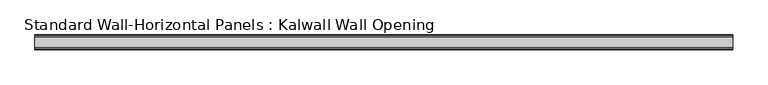
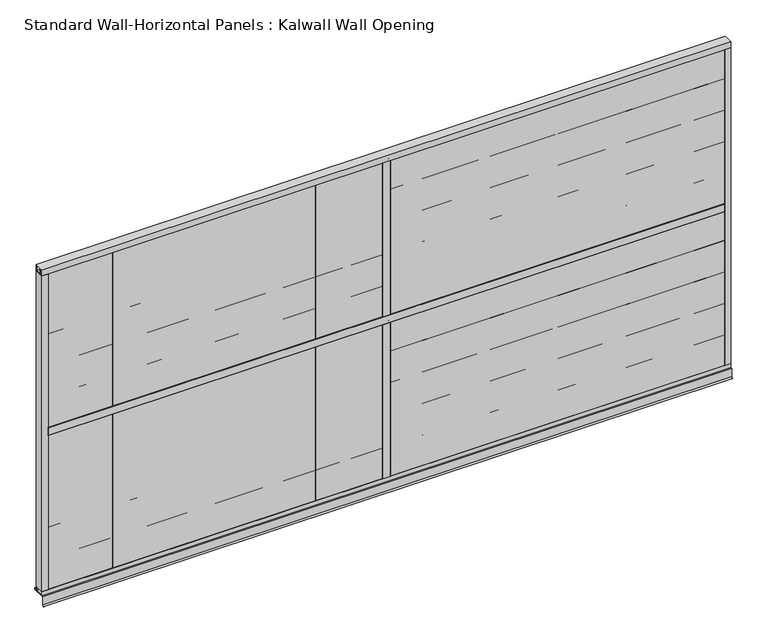
"""IFC4 building model written with IfcOpenShell, lengths in millimetres: proxy geometry, Standard Wall-Horizontal Panels : Kalwall Wall Opening."""

import ifcopenshell
import ifcopenshell.guid

model = None  # the IFC model being written
_history = None  # IfcOwnerHistory: only IFC2X3 demands one
_inside = {}  # id of a spatial element -> (the spatial element, [elements in it])
_under = {}  # id of a project, library or spatial element -> (it, [spatial elements below it])
_declared = {}  # id of a project -> (the project, [libraries it declares])
_typed = {}  # id of a type object -> (the type object, [elements of that type])
_made_of = {}  # id of a material, layer set ... -> (it, [elements and type objects made of it])


def new_model(schema):
    """Start an empty IFC model of exactly this schema.

    Asked for "IFC4X3", IfcOpenShell would pick the latest addendum, in which some entities
    have other attributes; the version numbers below select the first issue.
    IFC2X3 requires an IfcOwnerHistory on every rooted entity: one is made here for all.
    """
    global model, _history
    if schema == "IFC4X3":
        model = ifcopenshell.file(schema_version=(4, 3, 0, 0))
    else:
        model = ifcopenshell.file(schema=schema)
    _inside.clear()
    _under.clear()
    _declared.clear()
    _typed.clear()
    _made_of.clear()
    _history = None
    if model.schema == "IFC2X3":
        org = make("IfcOrganization", Name="unknown")
        user = make(
            "IfcPersonAndOrganization",
            ThePerson=make("IfcPerson", FamilyName="unknown"),
            TheOrganization=org,
        )
        app = make(
            "IfcApplication",
            ApplicationDeveloper=org,
            Version="unknown",
            ApplicationFullName="unknown",
            ApplicationIdentifier="unknown",
        )
        _history = make(
            "IfcOwnerHistory",
            OwningUser=user,
            OwningApplication=app,
            ChangeAction="ADDED",
            CreationDate=0,
        )
    return model


def make(cls, **values):
    """One entity of the class cls with the attributes given. An attribute that is None is left unset."""
    return model.create_entity(
        cls, **{name: value for name, value in values.items() if value is not None}
    )


def rooted(cls, **values):
    """An entity with a GlobalId (a new one), such as an element, a storey or a relation."""
    return make(cls, GlobalId=ifcopenshell.guid.new(), OwnerHistory=_history, **values)


def si_unit(unit_type, name, prefix=None):
    """IfcSIUnit, for example si_unit("LENGTHUNIT", "METRE", prefix="MILLI")."""
    return make("IfcSIUnit", UnitType=unit_type, Prefix=prefix, Name=name)


def assignment(units):
    """IfcUnitAssignment: the units of a project."""
    return None if units is None else make("IfcUnitAssignment", Units=units)


def point(xyz):
    """IfcCartesianPoint."""
    return None if xyz is None else make("IfcCartesianPoint", Coordinates=xyz)


def direction(xyz):
    """IfcDirection."""
    return None if xyz is None else make("IfcDirection", DirectionRatios=xyz)


def frame(location, z_axis=None, x_axis=None):
    """IfcAxis2Placement3D, a coordinate frame: its origin and axes. An axis left out is left unset."""
    return make(
        "IfcAxis2Placement3D",
        Location=point(location),
        Axis=direction(z_axis),
        RefDirection=direction(x_axis),
    )


def frame_2d(location, x_axis=None):
    """IfcAxis2Placement2D, a coordinate frame in the plane: its origin and x axis."""
    return make(
        "IfcAxis2Placement2D", Location=point(location), RefDirection=direction(x_axis)
    )


def origin():
    """The frame at (0, 0, 0) with its axes left unset."""
    return frame((0.0, 0.0, 0.0))


def place(relative_to, where):
    """IfcLocalPlacement: puts the frame where relative to a parent placement (None: the world)."""
    return make(
        "IfcLocalPlacement", PlacementRelTo=relative_to, RelativePlacement=where
    )


def context(
    kind, dimensions, precision=None, world=None, true_north=None, identifier=None
):
    """IfcGeometricRepresentationContext, for example the 3D "Model" context."""
    return make(
        "IfcGeometricRepresentationContext",
        ContextIdentifier=identifier,
        ContextType=kind,
        CoordinateSpaceDimension=dimensions,
        Precision=precision,
        WorldCoordinateSystem=world,
        TrueNorth=true_north,
    )


def project(units=None, contexts=None):
    """IfcProject with its units and contexts."""
    return rooted(
        "IfcProject",
        Name="project",
        RepresentationContexts=contexts,
        UnitsInContext=assignment(units),
    )


def spatial(cls, under=None, at=None, **own):
    """A site, building, storey or space (cls), placed at a placement, below another one or the project."""
    s = rooted(cls, ObjectPlacement=at, **own)
    if under is not None:
        _under.setdefault(under.id(), (under, []))[1].append(s)
    return s


def polyline(points):
    """IfcPolyline through the points."""
    return make("IfcPolyline", Points=[point(p) for p in points])


def circle_curve(where, radius):
    """IfcCircle in the frame where."""
    return make("IfcCircle", Position=where, Radius=radius)


def trimmed(basis, trim1, trim2, sense, master):
    """IfcTrimmedCurve: the piece of a basis curve between two trims."""
    return make(
        "IfcTrimmedCurve",
        BasisCurve=basis,
        Trim1=trim1,
        Trim2=trim2,
        SenseAgreement=sense,
        MasterRepresentation=master,
    )


def segment(curve, same_sense, transition):
    """IfcCompositeCurveSegment."""
    return make(
        "IfcCompositeCurveSegment",
        Transition=transition,
        SameSense=same_sense,
        ParentCurve=curve,
    )


def composite_curve(segments, self_intersect=None):
    """IfcCompositeCurve: segments joined end to end."""
    return make("IfcCompositeCurve", Segments=segments, SelfIntersect=self_intersect)


def outline(outer, holes=None, kind="AREA"):
    """IfcArbitraryClosedProfileDef: a profile drawn as a closed curve; with holes, ...WithVoids."""
    if holes is None:
        return make("IfcArbitraryClosedProfileDef", ProfileType=kind, OuterCurve=outer)
    return make(
        "IfcArbitraryProfileDefWithVoids",
        ProfileType=kind,
        OuterCurve=outer,
        InnerCurves=holes,
    )


def extrude(swept, where, along, depth):
    """IfcExtrudedAreaSolid: the profile swept, set in the frame where, extruded along a direction by depth."""
    return make(
        "IfcExtrudedAreaSolid",
        SweptArea=swept,
        Position=where,
        ExtrudedDirection=direction(along),
        Depth=depth,
    )


def shape(context_of_items, identifier, shape_type, items):
    """IfcShapeRepresentation: the items that make up one representation, for example the "Body"."""
    return make(
        "IfcShapeRepresentation",
        ContextOfItems=context_of_items,
        RepresentationIdentifier=identifier,
        RepresentationType=shape_type,
        Items=items,
    )


def source(mapping_origin, context_of_items, identifier, shape_type, items):
    """IfcRepresentationMap: a shape defined once, which mapped items show again and again."""
    return make(
        "IfcRepresentationMap",
        MappingOrigin=mapping_origin,
        MappedRepresentation=shape(context_of_items, identifier, shape_type, items),
    )


def transform(
    local_origin,
    x_axis=None,
    y_axis=None,
    z_axis=None,
    scale=None,
    scale2=None,
    scale3=None,
    uniform=True,
):
    """IfcCartesianTransformationOperator3D, or its non-uniform kind. x_axis, y_axis, z_axis: its Axis1, 2, 3."""
    if uniform:
        return make(
            "IfcCartesianTransformationOperator3D",
            Axis1=direction(x_axis),
            Axis2=direction(y_axis),
            LocalOrigin=point(local_origin),
            Scale=scale,
            Axis3=direction(z_axis),
        )
    return make(
        "IfcCartesianTransformationOperator3DnonUniform",
        Axis1=direction(x_axis),
        Axis2=direction(y_axis),
        LocalOrigin=point(local_origin),
        Scale=scale,
        Axis3=direction(z_axis),
        Scale2=scale2,
        Scale3=scale3,
    )


def mapped(mapping_source, mapping_target):
    """IfcMappedItem: shows the shape of a source again, moved by a transform."""
    return make(
        "IfcMappedItem", MappingSource=mapping_source, MappingTarget=mapping_target
    )


def made_of(thing, what):
    """Note that an element or type object is made of a material, layer set ...; save() writes the relation."""
    if what is not None:
        _made_of.setdefault(what.id(), (what, []))[1].append(thing)
    return thing


def element(
    cls,
    number,
    at=None,
    inside=None,
    cuts=None,
    type_object=None,
    material=None,
    context=None,
    identifier="Body",
    shape_type=None,
    held_by="IfcProductDefinitionShape",
    body=None,
    shapes=None,
    **own,
):
    """One element of the class cls, such as IfcWall. Its Tag is "e" and its number.

    at: its placement. inside: the storey or other place that contains it. cuts: it is an
    opening in that element (IfcRelVoidsElement). A single representation is given by context,
    identifier, shape_type and body (its items); several are given by shapes. held_by: the class
    of the entity that holds the representations. save() writes the other relations.
    """
    e = rooted(cls, Tag="e%d" % number, ObjectPlacement=at, **own)
    if body is not None:
        shapes = [shape(context, identifier, shape_type, body)]
    if shapes is not None:
        e.Representation = make(held_by, Representations=shapes)
    if inside is not None:
        _inside.setdefault(inside.id(), (inside, []))[1].append(e)
    if cuts is not None:
        rooted(
            "IfcRelVoidsElement", RelatingBuildingElement=cuts, RelatedOpeningElement=e
        )
    if type_object is not None:
        _typed.setdefault(type_object.id(), (type_object, []))[1].append(e)
    return made_of(e, material)


def aggregate(whole, parts):
    """IfcRelAggregates: a whole, such as a stair, and the parts it consists of."""
    return rooted("IfcRelAggregates", RelatingObject=whole, RelatedObjects=parts)


def save(model, path):
    """Write the relations noted so far, then the file.

    IfcRelAggregates (storeys below a building ...), IfcRelContainedInSpatialStructure (elements
    in a storey), IfcRelDefinesByType, IfcRelAssociatesMaterial and IfcRelDeclares: one each for
    every whole, place, type object, material and project.
    """
    for whole, parts in _under.values():
        aggregate(whole, parts)
    for where, things in _inside.values():
        rooted(
            "IfcRelContainedInSpatialStructure",
            RelatedElements=things,
            RelatingStructure=where,
        )
    for kind, things in _typed.values():
        rooted("IfcRelDefinesByType", RelatedObjects=things, RelatingType=kind)
    for what, things in _made_of.values():
        rooted("IfcRelAssociatesMaterial", RelatedObjects=things, RelatingMaterial=what)
    for by, libraries in _declared.values():
        rooted("IfcRelDeclares", RelatingContext=by, RelatedDefinitions=libraries)
    model.write(path)


def standard_wall_horizontal_panels_kalwall_wall_opening_c3621ee8(model_context):
    return source(origin(), model_context, "Body", "SweptSolid", [
        extrude(outline(polyline([(30.734, -1359.916), (31.75, -1359.916), (31.75, -1372.616), (-76.2, -1372.616), (-76.2, -1439.8357439), (-85.1802561, -1448.816), (-85.8986766, -1448.0975795), (-77.216, -1439.4149029), (-77.216, -1371.6), (30.734, -1371.6), (30.734, -1359.916)])), frame((-2743.2, 0.0, 0.0), z_axis=(1.0, 0.0, 0.0), x_axis=(0.0, 1.0, 0.0)), (0.0, 0.0, 1.0), 5486.4),
        extrude(outline(composite_curve([segment(polyline([(9.525, 25.4), (11.6716163, 25.4)]), True, "CONTINUOUS"), segment(trimmed(circle_curve(frame_2d((11.6716163, 24.3716164)), 1.0283836), [point((11.6716163, 25.4))], [point((12.7, 24.3716164))], False, "CARTESIAN"), True, "CONTINUOUS"), segment(polyline([(12.7, 24.3716164), (12.7, -40.2624515)]), True, "CONTINUOUS"), segment(trimmed(circle_curve(frame_2d((11.6874515, -40.2624515)), 1.0125485), [point((12.7, -40.2624515))], [point((11.6874515, -41.275))], False, "CARTESIAN"), True, "CONTINUOUS"), segment(polyline([(11.6874515, -41.275), (9.525, -41.275), (9.525, -11.1252), (2.6251735, -11.1252), (1.3987388, -9.4976662)]), True, "CONTINUOUS"), segment(trimmed(circle_curve(frame_2d((0.1626604, -10.4291181)), 1.5477378), [point((1.3987388, -9.4976662))], [point((-0.9317555, -9.3347022))], True, "CARTESIAN"), True, "CONTINUOUS"), segment(polyline([(-0.9317555, -9.3347022), (-1.6681533, -10.0711), (-18.3776675, -10.0711)]), True, "CONTINUOUS"), segment(trimmed(circle_curve(frame_2d((-19.1396675, -10.0711)), 0.762), [point((-18.3776675, -10.0711))], [point((-19.6381732, -10.6474125))], False, "CARTESIAN"), True, "CONTINUOUS"), segment(polyline([(-19.6381732, -10.6474125), (-20.8494857, -9.4361), (-19.8958311, -7.9375), (-2.7674455, -7.9375), (-1.3553955, -6.52545)]), True, "CONTINUOUS"), segment(trimmed(circle_curve(frame_2d((-2.1658455, -5.715)), 1.1461494), [point((-1.3553955, -6.52545))], [point((-1.3553955, -4.90455))], True, "CARTESIAN"), True, "CONTINUOUS"), segment(polyline([(-1.3553955, -4.90455), (-2.8690455, -3.3909), (-19.4524857, -3.3909), (-20.8494857, -1.9939), (-19.6381732, -0.7825875)]), True, "CONTINUOUS"), segment(trimmed(circle_curve(frame_2d((-19.1396675, -1.3589)), 0.762), [point((-19.6381732, -0.7825875))], [point((-18.3776675, -1.3589))], False, "CARTESIAN"), True, "CONTINUOUS"), segment(polyline([(-18.3776675, -1.3589), (-3.1964857, -1.3589), (-3.1964857, 1.905), (-4.4664857, 1.905), (-4.4664857, 3.175), (-0.6564857, 3.175), (-0.6564857, 1.905), (-1.9264857, 1.905), (-1.9264857, -1.1005677), (1.9595578, -4.9866111), (1.4106774, -5.715), (3.9563337, -9.0932), (9.525, -9.0932), (9.525, 25.4)]), True, "CONTINUOUS")], self_intersect=False)), frame((-2692.4, 0.0, 0.0), z_axis=(1.0, 0.0, 0.0), x_axis=(0.0, 1.0, 0.0)), (0.0, 0.0, 1.0), 5384.8),
        extrude(outline(composite_curve([segment(polyline([(-37.4610857, -1.1938), (-60.3210857, -1.1938), (-60.3210857, -41.275), (-62.3192687, -41.275)]), True, "CONTINUOUS"), segment(trimmed(circle_curve(frame_2d((-62.3192687, -40.0942687)), 1.1807313), [point((-62.3192687, -41.275))], [point((-63.5, -40.0942687))], False, "CARTESIAN"), True, "CONTINUOUS"), segment(polyline([(-63.5, -40.0942687), (-63.5, 23.9433344)]), True, "CONTINUOUS"), segment(trimmed(circle_curve(frame_2d((-62.0433344, 23.9433344)), 1.4566656), [point((-63.5, 23.9433344))], [point((-62.0433344, 25.4))], False, "CARTESIAN"), True, "CONTINUOUS"), segment(polyline([(-62.0433344, 25.4), (-60.3210857, 25.4), (-60.3210857, 0.0762), (-34.9210857, 0.0762), (-34.9210857, -5.0038), (-37.4610857, -5.0038), (-37.4610857, -1.1938)]), True, "CONTINUOUS")], self_intersect=False)), frame((-2692.4, 0.0, 0.0), z_axis=(1.0, 0.0, 0.0), x_axis=(0.0, 1.0, 0.0)), (0.0, 0.0, 1.0), 5384.8),
        extrude(outline(composite_curve([segment(polyline([(2.32332, -20.193), (2.32332, -3.5941), (0.8658453, -2.1366253)]), True, "CONTINUOUS"), segment(trimmed(circle_curve(frame_2d((-0.00078, -3.0032506)), 1.2255933), [point((0.8658453, -2.1366253))], [point((-0.8674053, -2.1366253))], True, "CARTESIAN"), True, "CONTINUOUS"), segment(polyline([(-0.8674053, -2.1366253), (-2.32488, -3.5941), (-2.32488, -19.685), (-3.72188, -21.082), (-5.88088, -21.082), (-5.88088, -19.935227), (-4.35688, -19.935227), (-4.35688, -2.1141568), (5.07922, 4.9964546), (5.07922, 9.525), (-31.75, 9.525), (-31.75, 11.4689828)]), True, "CONTINUOUS"), segment(trimmed(circle_curve(frame_2d((-30.5189828, 11.4689828)), 1.2310172), [point((-31.75, 11.4689828))], [point((-30.5189828, 12.7))], False, "CARTESIAN"), True, "CONTINUOUS"), segment(polyline([(-30.5189828, 12.7), (30.5327995, 12.7)]), True, "CONTINUOUS"), segment(trimmed(circle_curve(frame_2d((30.5327995, 11.4827995)), 1.2172005), [point((30.5327995, 12.7))], [point((31.75, 11.4827995))], False, "CARTESIAN"), True, "CONTINUOUS"), segment(polyline([(31.75, 11.4827995), (31.75, 9.525), (6.85722, 9.525), (6.85722, 3.791934), (1.6984101, -0.0955081), (4.3638084, -2.7609064), (4.3638084, -19.935227), (5.87932, -19.935227), (5.87932, -21.082), (3.21232, -21.082), (2.32332, -20.193)]), True, "CONTINUOUS")], self_intersect=False)), frame((0.0, 0.0, -1336.675), z_axis=(0.0, 0.0, 1.0), x_axis=(1.0, 0.0, 0.0)), (0.0, 0.0, 1.0), 1295.4),
        extrude(outline(composite_curve([segment(polyline([(-6.04598, -53.594), (-4.76328, -53.594)]), True, "CONTINUOUS"), segment(trimmed(circle_curve(frame_2d((-4.76328, -56.769)), 3.175), [point((-4.76328, -53.594))], [point((-1.58828, -56.769))], False, "CARTESIAN"), True, "CONTINUOUS"), segment(polyline([(-1.58828, -56.769), (-3.93778, -56.769), (-3.93778, -60.325), (3.93622, -60.325), (3.93622, -56.769), (1.58672, -56.769)]), True, "CONTINUOUS"), segment(trimmed(circle_curve(frame_2d((4.76172, -56.769)), 3.175), [point((1.58672, -56.769))], [point((4.76172, -53.594))], False, "CARTESIAN"), True, "CONTINUOUS"), segment(polyline([(4.76172, -53.594), (6.04442, -53.594), (6.04442, -60.325), (31.75, -60.325), (31.75, -62.2752641)]), True, "CONTINUOUS"), segment(trimmed(circle_curve(frame_2d((30.5252641, -62.2752641)), 1.2247359), [point((31.75, -62.2752641))], [point((30.5252641, -63.5))], False, "CARTESIAN"), True, "CONTINUOUS"), segment(polyline([(30.5252641, -63.5), (-30.5541887, -63.5)]), True, "CONTINUOUS"), segment(trimmed(circle_curve(frame_2d((-30.5541887, -62.3041887)), 1.1958113), [point((-30.5541887, -63.5))], [point((-31.75, -62.3041887))], False, "CARTESIAN"), True, "CONTINUOUS"), segment(polyline([(-31.75, -62.3041887), (-31.75, -60.325), (-6.04598, -60.325), (-6.04598, -53.594)]), True, "CONTINUOUS")], self_intersect=False)), frame((0.0, 0.0, -1336.675), z_axis=(0.0, 0.0, 1.0), x_axis=(1.0, 0.0, 0.0)), (0.0, 0.0, 1.0), 1295.4),
        extrude(outline(polyline([(11.1125, 7.9375), (2714.625, 7.9375), (2714.625, -58.7375), (11.1125, -58.7375), (11.1125, 7.9375)])), frame((0.0, 0.0, -297.18), z_axis=(0.0, 0.0, 1.0), x_axis=(1.0, 0.0, 0.0)), (0.0, 0.0, 1.0), 12.7),
        extrude(outline(polyline([(11.1125, 7.9375), (2714.625, 7.9375), (2714.625, -58.7375), (11.1125, -58.7375), (11.1125, 7.9375)])), frame((0.0, 0.0, -562.61), z_axis=(0.0, 0.0, 1.0), x_axis=(1.0, 0.0, 0.0)), (0.0, 0.0, 1.0), 12.7),
        extrude(outline(polyline([(11.1125, 7.9375), (2714.625, 7.9375), (2714.625, -58.7375), (11.1125, -58.7375), (11.1125, 7.9375)])), frame((0.0, 0.0, -828.04), z_axis=(0.0, 0.0, 1.0), x_axis=(1.0, 0.0, 0.0)), (0.0, 0.0, 1.0), 12.7),
        extrude(outline(polyline([(11.1125, 7.9375), (2714.625, 7.9375), (2714.625, -58.7375), (11.1125, -58.7375), (11.1125, 7.9375)])), frame((0.0, 0.0, -1093.47), z_axis=(0.0, 0.0, 1.0), x_axis=(1.0, 0.0, 0.0)), (0.0, 0.0, 1.0), 12.7),
        extrude(outline(polyline([(11.1125, 7.9375), (11.1125, 9.525), (2714.625, 9.525), (2714.625, 7.9375), (11.1125, 7.9375)])), frame((0.0, 0.0, -1358.9), z_axis=(0.0, 0.0, 1.0), x_axis=(1.0, 0.0, 0.0)), (0.0, 0.0, 1.0), 1339.85),
        extrude(outline(polyline([(11.1125, -60.325), (11.1125, -58.7375), (2714.625, -58.7375), (2714.625, -60.325), (11.1125, -60.325)])), frame((0.0, 0.0, -1358.9), z_axis=(0.0, 0.0, 1.0), x_axis=(1.0, 0.0, 0.0)), (0.0, 0.0, 1.0), 1339.85),
        extrude(outline(polyline([(549.275, -58.7375), (549.275, 7.9375), (561.975, 7.9375), (561.975, -58.7375), (549.275, -58.7375)])), frame((0.0, 0.0, -1358.9), z_axis=(0.0, 0.0, 1.0), x_axis=(1.0, 0.0, 0.0)), (0.0, 0.0, 1.0), 1339.85),
        extrude(outline(polyline([(1087.4375, -58.7375), (1087.4375, 7.9375), (1100.1375, 7.9375), (1100.1375, -58.7375), (1087.4375, -58.7375)])), frame((0.0, 0.0, -1358.9), z_axis=(0.0, 0.0, 1.0), x_axis=(1.0, 0.0, 0.0)), (0.0, 0.0, 1.0), 1339.85),
        extrude(outline(polyline([(1625.6, -58.7375), (1625.6, 7.9375), (1638.3, 7.9375), (1638.3, -58.7375), (1625.6, -58.7375)])), frame((0.0, 0.0, -1358.9), z_axis=(0.0, 0.0, 1.0), x_axis=(1.0, 0.0, 0.0)), (0.0, 0.0, 1.0), 1339.85),
        extrude(outline(polyline([(2163.7625, -58.7375), (2163.7625, 7.9375), (2176.4625, 7.9375), (2176.4625, -58.7375), (2163.7625, -58.7375)])), frame((0.0, 0.0, -1358.9), z_axis=(0.0, 0.0, 1.0), x_axis=(1.0, 0.0, 0.0)), (0.0, 0.0, 1.0), 1339.85),
        extrude(outline(polyline([(11.1125, -58.7375), (11.1125, 7.9375), (23.8125, 7.9375), (23.8125, -58.7375), (11.1125, -58.7375)])), frame((0.0, 0.0, -1358.9), z_axis=(0.0, 0.0, 1.0), x_axis=(1.0, 0.0, 0.0)), (0.0, 0.0, 1.0), 1339.85),
        extrude(outline(polyline([(11.1125, 7.9375), (2714.625, 7.9375), (2714.625, -58.7375), (11.1125, -58.7375), (11.1125, 7.9375)])), frame((0.0, 0.0, -31.75), z_axis=(0.0, 0.0, 1.0), x_axis=(1.0, 0.0, 0.0)), (0.0, 0.0, 1.0), 12.7),
        extrude(outline(polyline([(11.1125, 7.9375), (2714.625, 7.9375), (2714.625, -58.7375), (11.1125, -58.7375), (11.1125, 7.9375)])), frame((0.0, 0.0, -1358.9), z_axis=(0.0, 0.0, 1.0), x_axis=(1.0, 0.0, 0.0)), (0.0, 0.0, 1.0), 12.7),
        extrude(outline(polyline([(2701.925, -58.7375), (2701.925, 7.9375), (2714.625, 7.9375), (2714.625, -58.7375), (2701.925, -58.7375)])), frame((0.0, 0.0, -1358.9), z_axis=(0.0, 0.0, 1.0), x_axis=(1.0, 0.0, 0.0)), (0.0, 0.0, 1.0), 1339.85),
        extrude(outline(polyline([(-2714.625, 9.525), (-11.1125, 9.525), (-11.1125, -57.15), (-2714.625, -57.15), (-2714.625, 9.525)])), frame((0.0, 0.0, -297.18), z_axis=(0.0, 0.0, 1.0), x_axis=(1.0, 0.0, 0.0)), (0.0, 0.0, 1.0), 12.7),
        extrude(outline(polyline([(-2714.625, 9.525), (-11.1125, 9.525), (-11.1125, -57.15), (-2714.625, -57.15), (-2714.625, 9.525)])), frame((0.0, 0.0, -562.61), z_axis=(0.0, 0.0, 1.0), x_axis=(1.0, 0.0, 0.0)), (0.0, 0.0, 1.0), 12.7),
        extrude(outline(polyline([(-2714.625, 9.525), (-11.1125, 9.525), (-11.1125, -57.15), (-2714.625, -57.15), (-2714.625, 9.525)])), frame((0.0, 0.0, -828.04), z_axis=(0.0, 0.0, 1.0), x_axis=(1.0, 0.0, 0.0)), (0.0, 0.0, 1.0), 12.7),
        extrude(outline(polyline([(-2714.625, 9.525), (-11.1125, 9.525), (-11.1125, -57.15), (-2714.625, -57.15), (-2714.625, 9.525)])), frame((0.0, 0.0, -1093.47), z_axis=(0.0, 0.0, 1.0), x_axis=(1.0, 0.0, 0.0)), (0.0, 0.0, 1.0), 12.7),
        extrude(outline(polyline([(-2714.625, 9.525), (-2714.625, 11.1125), (-11.1125, 11.1125), (-11.1125, 9.525), (-2714.625, 9.525)])), frame((0.0, 0.0, -1358.9), z_axis=(0.0, 0.0, 1.0), x_axis=(1.0, 0.0, 0.0)), (0.0, 0.0, 1.0), 1339.85),
        extrude(outline(polyline([(-2714.625, -58.7375), (-2714.625, -57.15), (-11.1125, -57.15), (-11.1125, -58.7375), (-2714.625, -58.7375)])), frame((0.0, 0.0, -1358.9), z_axis=(0.0, 0.0, 1.0), x_axis=(1.0, 0.0, 0.0)), (0.0, 0.0, 1.0), 1339.85),
        extrude(outline(polyline([(-2176.4625, -57.15), (-2176.4625, 9.525), (-2163.7625, 9.525), (-2163.7625, -57.15), (-2176.4625, -57.15)])), frame((0.0, 0.0, -1358.9), z_axis=(0.0, 0.0, 1.0), x_axis=(1.0, 0.0, 0.0)), (0.0, 0.0, 1.0), 1339.85),
        extrude(outline(polyline([(-1638.3, -57.15), (-1638.3, 9.525), (-1625.6, 9.525), (-1625.6, -57.15), (-1638.3, -57.15)])), frame((0.0, 0.0, -1358.9), z_axis=(0.0, 0.0, 1.0), x_axis=(1.0, 0.0, 0.0)), (0.0, 0.0, 1.0), 1339.85),
        extrude(outline(polyline([(-1100.1375, -57.15), (-1100.1375, 9.525), (-1087.4375, 9.525), (-1087.4375, -57.15), (-1100.1375, -57.15)])), frame((0.0, 0.0, -1358.9), z_axis=(0.0, 0.0, 1.0), x_axis=(1.0, 0.0, 0.0)), (0.0, 0.0, 1.0), 1339.85),
        extrude(outline(polyline([(-561.975, -57.15), (-561.975, 9.525), (-549.275, 9.525), (-549.275, -57.15), (-561.975, -57.15)])), frame((0.0, 0.0, -1358.9), z_axis=(0.0, 0.0, 1.0), x_axis=(1.0, 0.0, 0.0)), (0.0, 0.0, 1.0), 1339.85),
        extrude(outline(polyline([(-2714.625, -57.15), (-2714.625, 9.525), (-2701.925, 9.525), (-2701.925, -57.15), (-2714.625, -57.15)])), frame((0.0, 0.0, -1358.9), z_axis=(0.0, 0.0, 1.0), x_axis=(1.0, 0.0, 0.0)), (0.0, 0.0, 1.0), 1339.85),
        extrude(outline(polyline([(-2714.625, 9.525), (-11.1125, 9.525), (-11.1125, -57.15), (-2714.625, -57.15), (-2714.625, 9.525)])), frame((0.0, 0.0, -31.75), z_axis=(0.0, 0.0, 1.0), x_axis=(1.0, 0.0, 0.0)), (0.0, 0.0, 1.0), 12.7),
        extrude(outline(polyline([(-2714.625, 9.525), (-11.1125, 9.525), (-11.1125, -57.15), (-2714.625, -57.15), (-2714.625, 9.525)])), frame((0.0, 0.0, -1358.9), z_axis=(0.0, 0.0, 1.0), x_axis=(1.0, 0.0, 0.0)), (0.0, 0.0, 1.0), 12.7),
        extrude(outline(polyline([(-23.8125, -57.15), (-23.8125, 9.525), (-11.1125, 9.525), (-11.1125, -57.15), (-23.8125, -57.15)])), frame((0.0, 0.0, -1358.9), z_axis=(0.0, 0.0, 1.0), x_axis=(1.0, 0.0, 0.0)), (0.0, 0.0, 1.0), 1339.85),
        extrude(outline(composite_curve([segment(polyline([(2.32332, -20.193), (2.32332, -3.5941), (0.8658453, -2.1366253)]), True, "CONTINUOUS"), segment(trimmed(circle_curve(frame_2d((-0.00078, -3.0032506)), 1.2255933), [point((0.8658453, -2.1366253))], [point((-0.8674053, -2.1366253))], True, "CARTESIAN"), True, "CONTINUOUS"), segment(polyline([(-0.8674053, -2.1366253), (-2.32488, -3.5941), (-2.32488, -19.685), (-3.72188, -21.082), (-5.88088, -21.082), (-5.88088, -19.935227), (-4.35688, -19.935227), (-4.35688, -2.1141568), (5.07922, 4.9964546), (5.07922, 9.525), (-31.75, 9.525), (-31.75, 11.4689828)]), True, "CONTINUOUS"), segment(trimmed(circle_curve(frame_2d((-30.5189828, 11.4689828)), 1.2310172), [point((-31.75, 11.4689828))], [point((-30.5189828, 12.7))], False, "CARTESIAN"), True, "CONTINUOUS"), segment(polyline([(-30.5189828, 12.7), (30.5327995, 12.7)]), True, "CONTINUOUS"), segment(trimmed(circle_curve(frame_2d((30.5327995, 11.4827995)), 1.2172005), [point((30.5327995, 12.7))], [point((31.75, 11.4827995))], False, "CARTESIAN"), True, "CONTINUOUS"), segment(polyline([(31.75, 11.4827995), (31.75, 9.525), (6.85722, 9.525), (6.85722, 3.791934), (1.6984101, -0.0955081), (4.3638084, -2.7609064), (4.3638084, -19.935227), (5.87932, -19.935227), (5.87932, -21.082), (3.21232, -21.082), (2.32332, -20.193)]), True, "CONTINUOUS")], self_intersect=False)), frame((0.0, 0.0, 25.4), z_axis=(0.0, 0.0, 1.0), x_axis=(1.0, 0.0, 0.0)), (0.0, 0.0, 1.0), 1295.4),
        extrude(outline(composite_curve([segment(polyline([(-6.04598, -53.594), (-4.76328, -53.594)]), True, "CONTINUOUS"), segment(trimmed(circle_curve(frame_2d((-4.76328, -56.769)), 3.175), [point((-4.76328, -53.594))], [point((-1.58828, -56.769))], False, "CARTESIAN"), True, "CONTINUOUS"), segment(polyline([(-1.58828, -56.769), (-3.93778, -56.769), (-3.93778, -60.325), (3.93622, -60.325), (3.93622, -56.769), (1.58672, -56.769)]), True, "CONTINUOUS"), segment(trimmed(circle_curve(frame_2d((4.76172, -56.769)), 3.175), [point((1.58672, -56.769))], [point((4.76172, -53.594))], False, "CARTESIAN"), True, "CONTINUOUS"), segment(polyline([(4.76172, -53.594), (6.04442, -53.594), (6.04442, -60.325), (31.75, -60.325), (31.75, -62.2752641)]), True, "CONTINUOUS"), segment(trimmed(circle_curve(frame_2d((30.5252641, -62.2752641)), 1.2247359), [point((31.75, -62.2752641))], [point((30.5252641, -63.5))], False, "CARTESIAN"), True, "CONTINUOUS"), segment(polyline([(30.5252641, -63.5), (-30.5541887, -63.5)]), True, "CONTINUOUS"), segment(trimmed(circle_curve(frame_2d((-30.5541887, -62.3041887)), 1.1958113), [point((-30.5541887, -63.5))], [point((-31.75, -62.3041887))], False, "CARTESIAN"), True, "CONTINUOUS"), segment(polyline([(-31.75, -62.3041887), (-31.75, -60.325), (-6.04598, -60.325), (-6.04598, -53.594)]), True, "CONTINUOUS")], self_intersect=False)), frame((0.0, 0.0, 25.4), z_axis=(0.0, 0.0, 1.0), x_axis=(1.0, 0.0, 0.0)), (0.0, 0.0, 1.0), 1295.4),
        extrude(outline(polyline([(11.1125, 7.9375), (2714.625, 7.9375), (2714.625, -58.7375), (11.1125, -58.7375), (11.1125, 7.9375)])), frame((0.0, 0.0, 1064.895), z_axis=(0.0, 0.0, 1.0), x_axis=(1.0, 0.0, 0.0)), (0.0, 0.0, 1.0), 12.7),
        extrude(outline(polyline([(11.1125, 7.9375), (2714.625, 7.9375), (2714.625, -58.7375), (11.1125, -58.7375), (11.1125, 7.9375)])), frame((0.0, 0.0, 799.465), z_axis=(0.0, 0.0, 1.0), x_axis=(1.0, 0.0, 0.0)), (0.0, 0.0, 1.0), 12.7),
        extrude(outline(polyline([(11.1125, 7.9375), (2714.625, 7.9375), (2714.625, -58.7375), (11.1125, -58.7375), (11.1125, 7.9375)])), frame((0.0, 0.0, 534.035), z_axis=(0.0, 0.0, 1.0), x_axis=(1.0, 0.0, 0.0)), (0.0, 0.0, 1.0), 12.7),
        extrude(outline(polyline([(11.1125, 7.9375), (2714.625, 7.9375), (2714.625, -58.7375), (11.1125, -58.7375), (11.1125, 7.9375)])), frame((0.0, 0.0, 268.605), z_axis=(0.0, 0.0, 1.0), x_axis=(1.0, 0.0, 0.0)), (0.0, 0.0, 1.0), 12.7),
        extrude(outline(polyline([(11.1125, 7.9375), (11.1125, 9.525), (2714.625, 9.525), (2714.625, 7.9375), (11.1125, 7.9375)])), frame((0.0, 0.0, 3.175), z_axis=(0.0, 0.0, 1.0), x_axis=(1.0, 0.0, 0.0)), (0.0, 0.0, 1.0), 1339.85),
        extrude(outline(polyline([(11.1125, -60.325), (11.1125, -58.7375), (2714.625, -58.7375), (2714.625, -60.325), (11.1125, -60.325)])), frame((0.0, 0.0, 3.175), z_axis=(0.0, 0.0, 1.0), x_axis=(1.0, 0.0, 0.0)), (0.0, 0.0, 1.0), 1339.85),
        extrude(outline(polyline([(549.275, -58.7375), (549.275, 7.9375), (561.975, 7.9375), (561.975, -58.7375), (549.275, -58.7375)])), frame((0.0, 0.0, 3.175), z_axis=(0.0, 0.0, 1.0), x_axis=(1.0, 0.0, 0.0)), (0.0, 0.0, 1.0), 1339.85),
        extrude(outline(polyline([(1087.4375, -58.7375), (1087.4375, 7.9375), (1100.1375, 7.9375), (1100.1375, -58.7375), (1087.4375, -58.7375)])), frame((0.0, 0.0, 3.175), z_axis=(0.0, 0.0, 1.0), x_axis=(1.0, 0.0, 0.0)), (0.0, 0.0, 1.0), 1339.85),
        extrude(outline(polyline([(1625.6, -58.7375), (1625.6, 7.9375), (1638.3, 7.9375), (1638.3, -58.7375), (1625.6, -58.7375)])), frame((0.0, 0.0, 3.175), z_axis=(0.0, 0.0, 1.0), x_axis=(1.0, 0.0, 0.0)), (0.0, 0.0, 1.0), 1339.85),
        extrude(outline(polyline([(2163.7625, -58.7375), (2163.7625, 7.9375), (2176.4625, 7.9375), (2176.4625, -58.7375), (2163.7625, -58.7375)])), frame((0.0, 0.0, 3.175), z_axis=(0.0, 0.0, 1.0), x_axis=(1.0, 0.0, 0.0)), (0.0, 0.0, 1.0), 1339.85),
        extrude(outline(polyline([(11.1125, -58.7375), (11.1125, 7.9375), (23.8125, 7.9375), (23.8125, -58.7375), (11.1125, -58.7375)])), frame((0.0, 0.0, 3.175), z_axis=(0.0, 0.0, 1.0), x_axis=(1.0, 0.0, 0.0)), (0.0, 0.0, 1.0), 1339.85),
        extrude(outline(polyline([(11.1125, 7.9375), (2714.625, 7.9375), (2714.625, -58.7375), (11.1125, -58.7375), (11.1125, 7.9375)])), frame((0.0, 0.0, 1330.325), z_axis=(0.0, 0.0, 1.0), x_axis=(1.0, 0.0, 0.0)), (0.0, 0.0, 1.0), 12.7),
        extrude(outline(polyline([(11.1125, 7.9375), (2714.625, 7.9375), (2714.625, -58.7375), (11.1125, -58.7375), (11.1125, 7.9375)])), frame((0.0, 0.0, 3.175), z_axis=(0.0, 0.0, 1.0), x_axis=(1.0, 0.0, 0.0)), (0.0, 0.0, 1.0), 12.7),
        extrude(outline(polyline([(2701.925, -58.7375), (2701.925, 7.9375), (2714.625, 7.9375), (2714.625, -58.7375), (2701.925, -58.7375)])), frame((0.0, 0.0, 3.175), z_axis=(0.0, 0.0, 1.0), x_axis=(1.0, 0.0, 0.0)), (0.0, 0.0, 1.0), 1339.85),
        extrude(outline(polyline([(-2714.625, 9.525), (-11.1125, 9.525), (-11.1125, -57.15), (-2714.625, -57.15), (-2714.625, 9.525)])), frame((0.0, 0.0, 1064.895), z_axis=(0.0, 0.0, 1.0), x_axis=(1.0, 0.0, 0.0)), (0.0, 0.0, 1.0), 12.7),
        extrude(outline(polyline([(-2714.625, 9.525), (-11.1125, 9.525), (-11.1125, -57.15), (-2714.625, -57.15), (-2714.625, 9.525)])), frame((0.0, 0.0, 799.465), z_axis=(0.0, 0.0, 1.0), x_axis=(1.0, 0.0, 0.0)), (0.0, 0.0, 1.0), 12.7),
        extrude(outline(polyline([(-2714.625, 9.525), (-11.1125, 9.525), (-11.1125, -57.15), (-2714.625, -57.15), (-2714.625, 9.525)])), frame((0.0, 0.0, 534.035), z_axis=(0.0, 0.0, 1.0), x_axis=(1.0, 0.0, 0.0)), (0.0, 0.0, 1.0), 12.7),
        extrude(outline(polyline([(-2714.625, 9.525), (-11.1125, 9.525), (-11.1125, -57.15), (-2714.625, -57.15), (-2714.625, 9.525)])), frame((0.0, 0.0, 268.605), z_axis=(0.0, 0.0, 1.0), x_axis=(1.0, 0.0, 0.0)), (0.0, 0.0, 1.0), 12.7),
        extrude(outline(polyline([(-2714.625, 9.525), (-2714.625, 11.1125), (-11.1125, 11.1125), (-11.1125, 9.525), (-2714.625, 9.525)])), frame((0.0, 0.0, 3.175), z_axis=(0.0, 0.0, 1.0), x_axis=(1.0, 0.0, 0.0)), (0.0, 0.0, 1.0), 1339.85),
        extrude(outline(polyline([(-2714.625, -58.7375), (-2714.625, -57.15), (-11.1125, -57.15), (-11.1125, -58.7375), (-2714.625, -58.7375)])), frame((0.0, 0.0, 3.175), z_axis=(0.0, 0.0, 1.0), x_axis=(1.0, 0.0, 0.0)), (0.0, 0.0, 1.0), 1339.85),
        extrude(outline(polyline([(-2176.4625, -57.15), (-2176.4625, 9.525), (-2163.7625, 9.525), (-2163.7625, -57.15), (-2176.4625, -57.15)])), frame((0.0, 0.0, 3.175), z_axis=(0.0, 0.0, 1.0), x_axis=(1.0, 0.0, 0.0)), (0.0, 0.0, 1.0), 1339.85),
        extrude(outline(polyline([(-1638.3, -57.15), (-1638.3, 9.525), (-1625.6, 9.525), (-1625.6, -57.15), (-1638.3, -57.15)])), frame((0.0, 0.0, 3.175), z_axis=(0.0, 0.0, 1.0), x_axis=(1.0, 0.0, 0.0)), (0.0, 0.0, 1.0), 1339.85),
        extrude(outline(polyline([(-1100.1375, -57.15), (-1100.1375, 9.525), (-1087.4375, 9.525), (-1087.4375, -57.15), (-1100.1375, -57.15)])), frame((0.0, 0.0, 3.175), z_axis=(0.0, 0.0, 1.0), x_axis=(1.0, 0.0, 0.0)), (0.0, 0.0, 1.0), 1339.85),
        extrude(outline(polyline([(-561.975, -57.15), (-561.975, 9.525), (-549.275, 9.525), (-549.275, -57.15), (-561.975, -57.15)])), frame((0.0, 0.0, 3.175), z_axis=(0.0, 0.0, 1.0), x_axis=(1.0, 0.0, 0.0)), (0.0, 0.0, 1.0), 1339.85),
        extrude(outline(polyline([(-2714.625, -57.15), (-2714.625, 9.525), (-2701.925, 9.525), (-2701.925, -57.15), (-2714.625, -57.15)])), frame((0.0, 0.0, 3.175), z_axis=(0.0, 0.0, 1.0), x_axis=(1.0, 0.0, 0.0)), (0.0, 0.0, 1.0), 1339.85),
        extrude(outline(polyline([(-2714.625, 9.525), (-11.1125, 9.525), (-11.1125, -57.15), (-2714.625, -57.15), (-2714.625, 9.525)])), frame((0.0, 0.0, 1330.325), z_axis=(0.0, 0.0, 1.0), x_axis=(1.0, 0.0, 0.0)), (0.0, 0.0, 1.0), 12.7),
        extrude(outline(polyline([(-2714.625, 9.525), (-11.1125, 9.525), (-11.1125, -57.15), (-2714.625, -57.15), (-2714.625, 9.525)])), frame((0.0, 0.0, 3.175), z_axis=(0.0, 0.0, 1.0), x_axis=(1.0, 0.0, 0.0)), (0.0, 0.0, 1.0), 12.7),
        extrude(outline(polyline([(-23.8125, -57.15), (-23.8125, 9.525), (-11.1125, 9.525), (-11.1125, -57.15), (-23.8125, -57.15)])), frame((0.0, 0.0, 3.175), z_axis=(0.0, 0.0, 1.0), x_axis=(1.0, 0.0, 0.0)), (0.0, 0.0, 1.0), 1339.85),
        extrude(outline(polyline([(2743.2, -63.5), (2692.4, -63.5), (2692.4, -60.325), (2740.025, -60.325), (2740.025, 9.525), (2692.4, 9.525), (2692.4, 12.7), (2743.2, 12.7), (2743.2, -63.5)])), frame((0.0, 0.0, -1336.675), z_axis=(0.0, 0.0, 1.0), x_axis=(1.0, 0.0, 0.0)), (0.0, 0.0, 1.0), 2657.475),
        extrude(outline(polyline([(-2743.2, -63.5), (-2743.2, 12.7), (-2692.4, 12.7), (-2692.4, 9.525), (-2740.025, 9.525), (-2740.025, -60.325), (-2692.4, -60.325), (-2692.4, -63.5), (-2743.2, -63.5)])), frame((0.0, 0.0, -1336.675), z_axis=(0.0, 0.0, 1.0), x_axis=(1.0, 0.0, 0.0)), (0.0, 0.0, 1.0), 2657.475),
        extrude(outline(polyline([(-63.5, -1371.6), (-63.5, -1336.675), (-60.325, -1336.675), (-60.325, -1368.425), (9.525, -1368.425), (9.525, -1336.675), (12.7, -1336.675), (12.7, -1371.6), (-63.5, -1371.6)])), frame((-2743.2, 0.0, 0.0), z_axis=(1.0, 0.0, 0.0), x_axis=(0.0, 1.0, 0.0)), (0.0, 0.0, 1.0), 5486.4),
        extrude(outline(polyline([(12.7, 1371.6), (12.7, 1320.8), (9.525, 1320.8), (9.525, 1368.425), (-60.325, 1368.425), (-60.325, 1320.8), (-63.5, 1320.8), (-63.5, 1371.6), (12.7, 1371.6)])), frame((-2743.2, 0.0, 0.0), z_axis=(1.0, 0.0, 0.0), x_axis=(0.0, 1.0, 0.0)), (0.0, 0.0, 1.0), 5486.4),
    ])


if __name__ == "__main__":
    model = new_model("IFC4")
    model_context = context("Model", 3, world=origin())
    ifc_project = project(units=[si_unit("LENGTHUNIT", "METRE", prefix="MILLI")], contexts=[model_context])
    site = spatial("IfcSite", under=ifc_project)
    building = spatial("IfcBuilding", under=site)
    placement = place(None, origin())
    standard_wall_horizontal_panels_kalwall_wall_opening_shape = standard_wall_horizontal_panels_kalwall_wall_opening_c3621ee8(model_context)
    element("IfcBuildingElementProxy", 1, Name="Standard Wall-Horizontal Panels : Kalwall Wall Opening", ObjectType="Standard Wall-Horizontal Panels : Kalwall Wall Opening", at=placement, inside=building, context=model_context, shape_type="MappedRepresentation", body=[
        mapped(standard_wall_horizontal_panels_kalwall_wall_opening_shape, transform((0.0, 0.0, 0.0), x_axis=(1.0, 0.0, 0.0), y_axis=(0.0, 1.0, 0.0), z_axis=(0.0, 0.0, 1.0))),
    ])
    save(model, "model.ifc")
